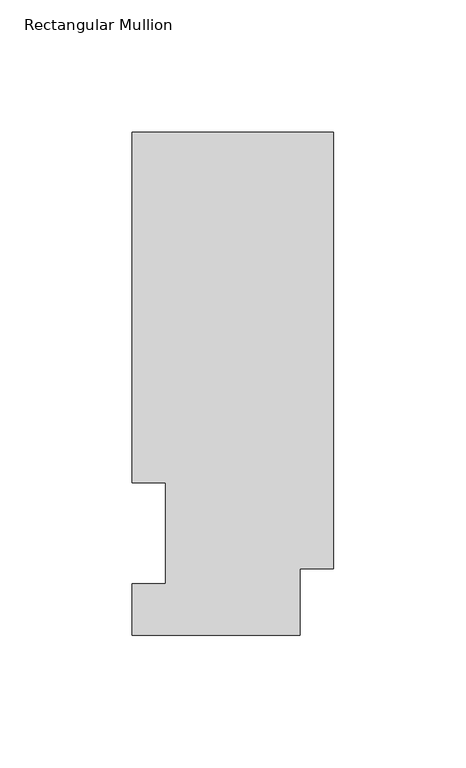
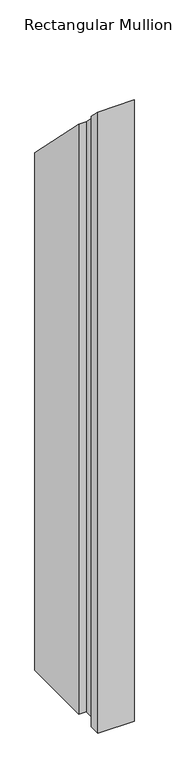
"""IFC4 building model written with IfcOpenShell, lengths in millimetres: member geometry, Rectangular Mullion."""

from ifc_helpers import new_model, si_unit, origin, place, context, project, spatial, faceted_brep, source, transform, mapped, element, save


def rectangular_mullion_a396ac80(model_context):
    return source(origin(), model_context, "Body", "Brep", [
        faceted_brep([(0.0, 190.0816937, -1142.5174), (0.0, 25.0832937, -1142.5174), (-12.7, 25.0832937, -1142.5174), (-12.7, 0.0134937, -1142.5174), (-76.2, 0.0134937, -1142.5174), (-76.2, 19.5460937, -1142.5174), (-63.5, 19.5460937, -1142.5174), (-63.5, 57.6460937, -1142.5174), (-76.2, 57.6460937, -1142.5174), (-76.2, 190.0816937, -1142.5174), (-76.2, 190.0816937, -190.0816937), (0.0, 190.0816937, -190.0816937), (-76.2, 57.6460937, -57.6460938), (-63.5, 57.6460937, -57.6460938), (-63.5, 19.5460937, -19.5460938), (-76.2, 19.5460937, -19.5460938), (-76.2, 0.0134937, -0.0134937), (-12.7, 0.0134937, -0.0134937), (-12.7, 25.0832937, -25.0832937), (0.0, 25.0832937, -25.0832937)], [[[0, 1, 2, 3, 4, 5, 6, 7, 8, 9]], [[10, 11, 0, 9]], [[12, 10, 9, 8]], [[13, 12, 8, 7]], [[14, 13, 7, 6]], [[15, 14, 6, 5]], [[16, 15, 5, 4]], [[17, 16, 4, 3]], [[18, 17, 3, 2]], [[19, 18, 2, 1]], [[11, 19, 1, 0]], [[11, 10, 12, 13, 14, 15, 16, 17, 18, 19]]]),
    ])


if __name__ == "__main__":
    model = new_model("IFC4")
    model_context = context("Model", 3, world=origin())
    ifc_project = project(units=[si_unit("LENGTHUNIT", "METRE", prefix="MILLI")], contexts=[model_context])
    site = spatial("IfcSite", under=ifc_project)
    building = spatial("IfcBuilding", under=site)
    placement = place(None, origin())
    rectangular_mullion_shape = rectangular_mullion_a396ac80(model_context)
    element("IfcMember", 1, ObjectType="Rectangular Mullion", at=placement, inside=building, context=model_context, shape_type="MappedRepresentation", body=[
        mapped(rectangular_mullion_shape, transform((0.0, 0.0, 0.0), x_axis=(1.0, 0.0, 0.0), y_axis=(0.0, 1.0, 0.0), z_axis=(0.0, 0.0, 1.0))),
    ])
    save(model, "model.ifc")
